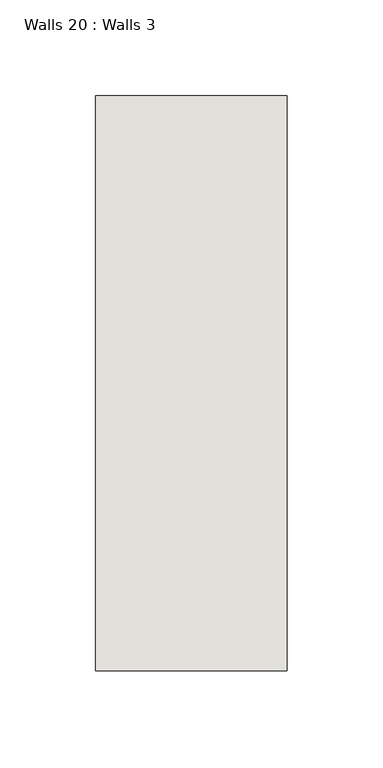
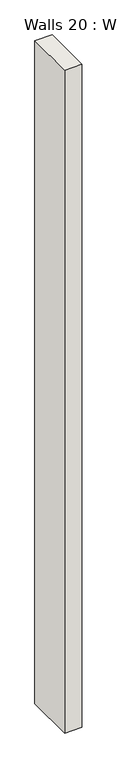
"""IFC4 building model written with IfcOpenShell, lengths in millimetres: wall geometry, Walls 20 : Walls 3."""

from ifc_helpers import new_model, si_unit, origin, origin_with_axes, place, context, project, spatial, polyline, outline, extrude, source, transform, mapped, element, save


def walls_20_walls_3_207a0041(model_context):
    return source(origin(), model_context, "Body", "SweptSolid", [
        extrude(outline(polyline([(-5212.3812655, 1518.41264), (-5212.3812655, 1818.41264), (-5112.3812655, 1818.41264), (-5112.3812655, 1518.41264), (-5212.3812655, 1518.41264)])), origin_with_axes(), (0.0, 0.0, 1.0), 4085.1192828),
    ])


if __name__ == "__main__":
    model = new_model("IFC4")
    model_context = context("Model", 3, world=origin())
    ifc_project = project(units=[si_unit("LENGTHUNIT", "METRE", prefix="MILLI")], contexts=[model_context])
    site = spatial("IfcSite", under=ifc_project)
    building = spatial("IfcBuilding", under=site)
    placement = place(None, origin())
    walls_20_walls_3_shape = walls_20_walls_3_207a0041(model_context)
    element("IfcWall", 1, ObjectType="Walls 20 : Walls 3", at=placement, inside=building, context=model_context, shape_type="MappedRepresentation", body=[
        mapped(walls_20_walls_3_shape, transform((0.0, 0.0, 0.0), x_axis=(1.0, 0.0, 0.0), y_axis=(0.0, 1.0, 0.0), z_axis=(0.0, 0.0, 1.0))),
    ])
    save(model, "model.ifc")
